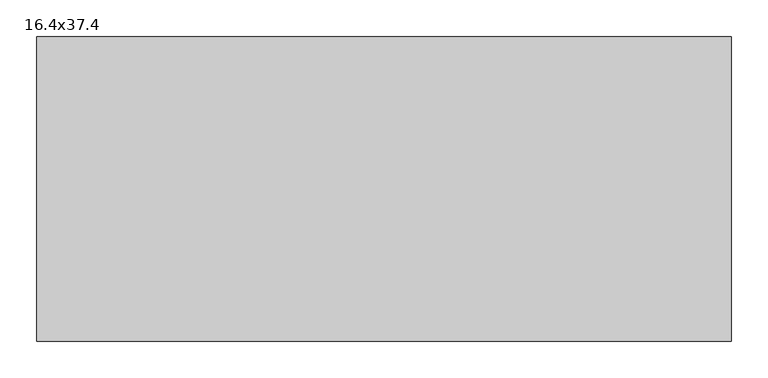
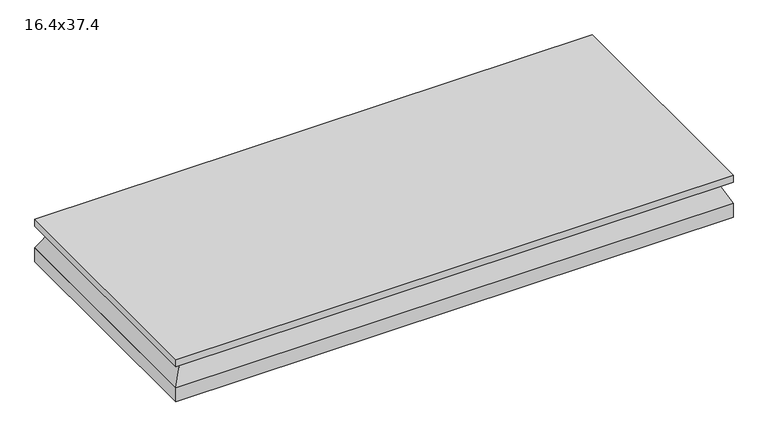
"""IFC4 building model written with IfcOpenShell, lengths in millimetres: air terminal geometry, 16.4x37.4."""

from ifc_helpers import new_model, si_unit, frame, origin, origin_with_axes, place, context, project, spatial, polyline, outline, extrude, faceted_brep, source, transform, mapped, element, save


def air_terminal_16_4x37_4_b6259c86(model_context):
    return source(origin(), model_context, "Body", "SolidModel", [
        faceted_brep([(-455.93, -189.23, 0.0), (455.93, -189.23, 0.0), (455.93, 189.23, 0.0), (-455.93, 189.23, 0.0), (-474.9601562, -208.2601563, -38.1), (-474.9601562, 208.2601562, -38.1), (474.9601563, 208.2601562, -38.1), (474.9601563, -208.2601563, -38.1)], [[[0, 1, 2, 3]], [[4, 5, 6, 7]], [[4, 7, 1, 0]], [[7, 6, 2, 1]], [[6, 5, 3, 2]], [[5, 4, 0, 3]]]),
        extrude(outline(polyline([(474.98, 208.28), (474.98, -208.28), (-474.98, -208.28), (-474.98, 208.28), (474.98, 208.28)])), origin_with_axes(), (0.0, 0.0, 1.0), 12.7),
        extrude(outline(polyline([(-474.9601562, 208.2601562), (474.9601563, 208.2601562), (474.9601563, -208.2601563), (-474.9601562, -208.2601563), (-474.9601562, 208.2601562)])), frame((0.0, 0.0, -63.5), z_axis=(0.0, 0.0, 1.0), x_axis=(1.0, 0.0, 0.0)), (0.0, 0.0, 1.0), 25.4),
    ])


if __name__ == "__main__":
    model = new_model("IFC4")
    model_context = context("Model", 3, world=origin())
    ifc_project = project(units=[si_unit("LENGTHUNIT", "METRE", prefix="MILLI")], contexts=[model_context])
    site = spatial("IfcSite", under=ifc_project)
    building = spatial("IfcBuilding", under=site)
    placement = place(None, origin())
    air_terminal_16_4x37_4_shape = air_terminal_16_4x37_4_b6259c86(model_context)
    element("IfcAirTerminal", 1, ObjectType="16.4x37.4", at=placement, inside=building, context=model_context, shape_type="MappedRepresentation", body=[
        mapped(air_terminal_16_4x37_4_shape, transform((0.0, 0.0, 0.0), x_axis=(1.0, 0.0, 0.0), y_axis=(0.0, 1.0, 0.0), z_axis=(0.0, 0.0, 1.0))),
    ])
    save(model, "model.ifc")
